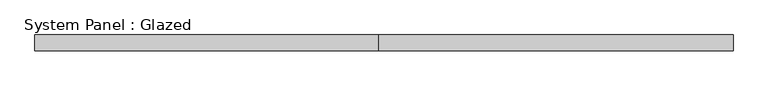
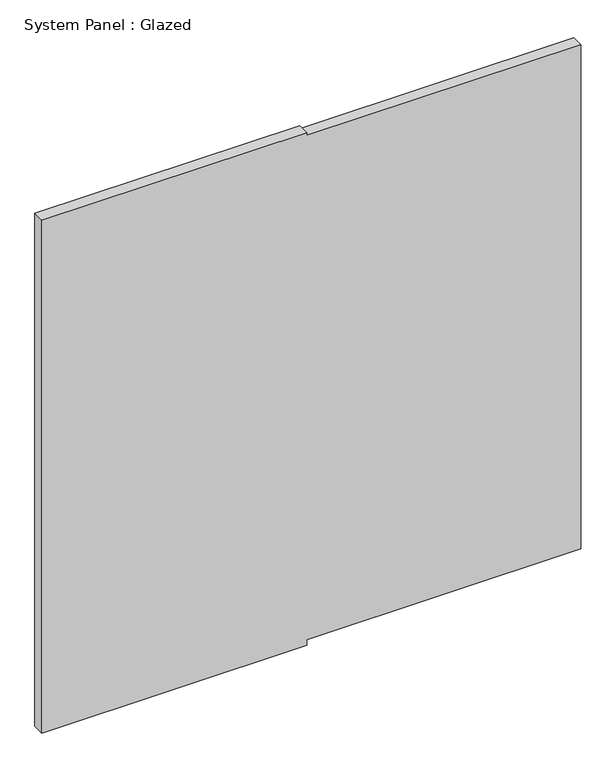
"""IFC4 building model written with IfcOpenShell, lengths in millimetres: plate geometry, System Panel : Glazed."""

from ifc_helpers import new_model, si_unit, frame, origin, place, context, project, spatial, polyline, outline, extrude, source, transform, mapped, element, save


def system_panel_glazed_20b0dcd5(model_context):
    return source(origin(), model_context, "Body", "SweptSolid", [
        extrude(outline(polyline([(0.0, -568.325), (0.0, -9.525), (12.7, -9.525), (12.7, 568.325), (1136.65, 568.325), (1136.65, -9.525), (1143.0, -9.525), (1143.0, -568.325), (0.0, -568.325)])), frame((0.0, -44.45, 0.0), z_axis=(0.0, 1.0, 0.0), x_axis=(0.0, 0.0, 1.0)), (0.0, 0.0, 1.0), 25.4),
    ])


if __name__ == "__main__":
    model = new_model("IFC4")
    model_context = context("Model", 3, world=origin())
    ifc_project = project(units=[si_unit("LENGTHUNIT", "METRE", prefix="MILLI")], contexts=[model_context])
    site = spatial("IfcSite", under=ifc_project)
    building = spatial("IfcBuilding", under=site)
    placement = place(None, origin())
    system_panel_glazed_shape = system_panel_glazed_20b0dcd5(model_context)
    element("IfcPlate", 1, ObjectType="System Panel : Glazed", at=placement, inside=building, context=model_context, shape_type="MappedRepresentation", body=[
        mapped(system_panel_glazed_shape, transform((0.0, 0.0, 0.0), x_axis=(1.0, 0.0, 0.0), y_axis=(0.0, 1.0, 0.0), z_axis=(0.0, 0.0, 1.0))),
    ])
    save(model, "model.ifc")
